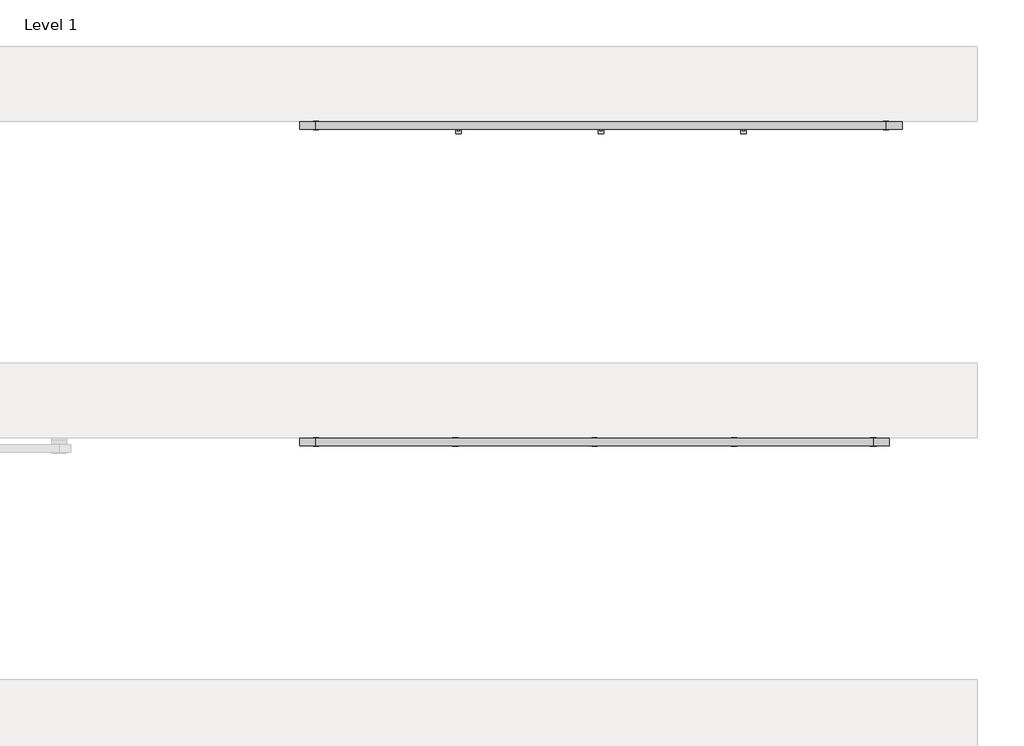
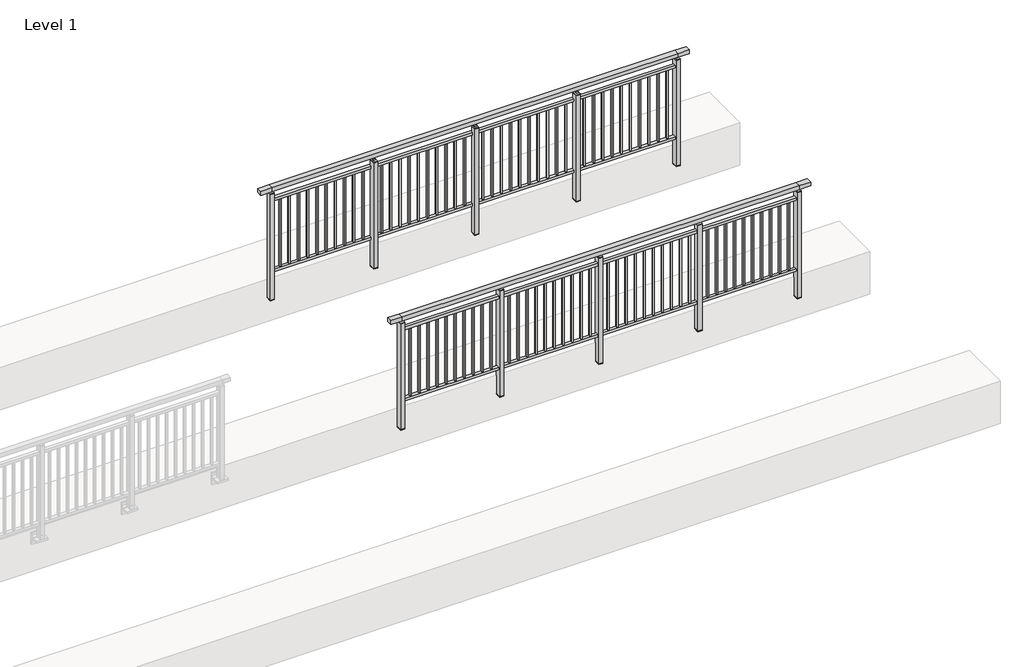
# One storey, part 10 of 37: 2 railings.
"""IFC4 building model written with IfcOpenShell, lengths in millimetres."""

from ifc_helpers import new_model, si_unit, frame, origin, place, context, project, spatial, polyline, outline, extrude, faceted_brep, element, save

model = new_model("IFC4")

# Units and contexts
model_context = context("Model", 3, world=origin())
ifc_project = project(units=[si_unit("LENGTHUNIT", "METRE", prefix="MILLI")], contexts=[model_context])

# Site, building, storey
site = spatial("IfcSite", under=ifc_project)
building = spatial("IfcBuilding", under=site)
storey = spatial("IfcBuildingStorey", under=building, Name="Level 1", Elevation=0.0)

# Railings
placement = place(None, origin())
element("IfcRailing", 1, at=placement, inside=storey, context=model_context, shape_type="SolidModel", body=[
    faceted_brep([(18027.0, 2397.6846828, 1055.0), (18027.0, 2397.6846828, 1100.0), (22427.0, 2397.6846828, 1100.0), (22427.0, 2397.6846828, 1055.0), (18027.0, 2337.6846828, 1055.0), (22427.0, 2337.6846828, 1055.0), (18027.0, 2337.6846828, 1100.0), (22427.0, 2337.6846828, 1100.0), (17899.5, 2397.6846828, 1100.0), (17899.5, 2397.6846828, 1055.0), (17899.5, 2337.6846828, 1055.0), (17899.5, 2337.6846828, 1100.0), (22554.5, 2397.6846828, 1100.0), (22554.5, 2337.6846828, 1100.0), (22554.5, 2337.6846828, 1055.0), (22554.5, 2397.6846828, 1055.0)], [[[0, 1, 2, 3]], [[4, 0, 3, 5]], [[6, 4, 5, 7]], [[1, 6, 7, 2]], [[8, 9, 10, 11]], [[9, 8, 1, 0]], [[10, 9, 0, 4]], [[11, 10, 4, 6]], [[8, 11, 6, 1]], [[12, 13, 14, 15]], [[3, 2, 12, 15]], [[5, 3, 15, 14]], [[7, 5, 14, 13]], [[2, 7, 13, 12]]]),
    extrude(outline(polyline([(18027.0, 2350.1846828), (18027.0, 2385.1846828), (22427.0, 2385.1846828), (22427.0, 2350.1846828), (18027.0, 2350.1846828)])), frame((0.0, 0.0, 930.0), z_axis=(0.0, 0.0, 1.0), x_axis=(1.0, 0.0, 0.0)), (0.0, 0.0, 1.0), 30.0),
    extrude(outline(polyline([(18027.0, 2350.1846828), (18027.0, 2385.1846828), (22427.0, 2385.1846828), (22427.0, 2350.1846828), (18027.0, 2350.1846828)])), frame((0.0, 0.0, 95.0), z_axis=(0.0, 0.0, 1.0), x_axis=(1.0, 0.0, 0.0)), (0.0, 0.0, 1.0), 30.0),
    extrude(outline(polyline([(22335.5, 2359.1846828), (22318.5, 2359.1846828), (22318.5, 2376.1846828), (22335.5, 2376.1846828), (22335.5, 2359.1846828)])), frame((0.0, 0.0, 125.0), z_axis=(0.0, 0.0, 1.0), x_axis=(1.0, 0.0, 0.0)), (0.0, 0.0, 1.0), 805.0),
    extrude(outline(polyline([(22235.5, 2359.1846828), (22218.5, 2359.1846828), (22218.5, 2376.1846828), (22235.5, 2376.1846828), (22235.5, 2359.1846828)])), frame((0.0, 0.0, 125.0), z_axis=(0.0, 0.0, 1.0), x_axis=(1.0, 0.0, 0.0)), (0.0, 0.0, 1.0), 805.0),
    extrude(outline(polyline([(22135.5, 2359.1846828), (22118.5, 2359.1846828), (22118.5, 2376.1846828), (22135.5, 2376.1846828), (22135.5, 2359.1846828)])), frame((0.0, 0.0, 125.0), z_axis=(0.0, 0.0, 1.0), x_axis=(1.0, 0.0, 0.0)), (0.0, 0.0, 1.0), 805.0),
    extrude(outline(polyline([(22035.5, 2359.1846828), (22018.5, 2359.1846828), (22018.5, 2376.1846828), (22035.5, 2376.1846828), (22035.5, 2359.1846828)])), frame((0.0, 0.0, 125.0), z_axis=(0.0, 0.0, 1.0), x_axis=(1.0, 0.0, 0.0)), (0.0, 0.0, 1.0), 805.0),
    extrude(outline(polyline([(21935.5, 2359.1846828), (21918.5, 2359.1846828), (21918.5, 2376.1846828), (21935.5, 2376.1846828), (21935.5, 2359.1846828)])), frame((0.0, 0.0, 125.0), z_axis=(0.0, 0.0, 1.0), x_axis=(1.0, 0.0, 0.0)), (0.0, 0.0, 1.0), 805.0),
    extrude(outline(polyline([(21835.5, 2359.1846828), (21818.5, 2359.1846828), (21818.5, 2376.1846828), (21835.5, 2376.1846828), (21835.5, 2359.1846828)])), frame((0.0, 0.0, 125.0), z_axis=(0.0, 0.0, 1.0), x_axis=(1.0, 0.0, 0.0)), (0.0, 0.0, 1.0), 805.0),
    extrude(outline(polyline([(21735.5, 2359.1846828), (21718.5, 2359.1846828), (21718.5, 2376.1846828), (21735.5, 2376.1846828), (21735.5, 2359.1846828)])), frame((0.0, 0.0, 125.0), z_axis=(0.0, 0.0, 1.0), x_axis=(1.0, 0.0, 0.0)), (0.0, 0.0, 1.0), 805.0),
    extrude(outline(polyline([(21635.5, 2359.1846828), (21618.5, 2359.1846828), (21618.5, 2376.1846828), (21635.5, 2376.1846828), (21635.5, 2359.1846828)])), frame((0.0, 0.0, 125.0), z_axis=(0.0, 0.0, 1.0), x_axis=(1.0, 0.0, 0.0)), (0.0, 0.0, 1.0), 805.0),
    extrude(outline(polyline([(21535.5, 2359.1846828), (21518.5, 2359.1846828), (21518.5, 2376.1846828), (21535.5, 2376.1846828), (21535.5, 2359.1846828)])), frame((0.0, 0.0, 125.0), z_axis=(0.0, 0.0, 1.0), x_axis=(1.0, 0.0, 0.0)), (0.0, 0.0, 1.0), 805.0),
    extrude(outline(polyline([(21435.5, 2359.1846828), (21418.5, 2359.1846828), (21418.5, 2376.1846828), (21435.5, 2376.1846828), (21435.5, 2359.1846828)])), frame((0.0, 0.0, 125.0), z_axis=(0.0, 0.0, 1.0), x_axis=(1.0, 0.0, 0.0)), (0.0, 0.0, 1.0), 805.0),
    extrude(outline(polyline([(21349.5, 2400.1846828), (21349.5, 2335.1846828), (21304.5, 2335.1846828), (21304.5, 2400.1846828), (21349.5, 2400.1846828)])), frame((0.0, 0.0, 1027.0), z_axis=(0.0, 0.0, 1.0), x_axis=(1.0, 0.0, 0.0)), (0.0, 0.0, 1.0), 8.0),
    extrude(outline(polyline([(21349.5, 2400.1846828), (21349.5, 2335.1846828), (21304.5, 2335.1846828), (21304.5, 2400.1846828), (21349.5, 2400.1846828)])), frame((0.0, 0.0, -212.0), z_axis=(0.0, 0.0, 1.0), x_axis=(1.0, 0.0, 0.0)), (0.0, 0.0, 1.0), 1239.0),
    extrude(outline(polyline([(21337.0, 2377.6846828), (21337.0, 2357.6846828), (21317.0, 2357.6846828), (21317.0, 2377.6846828), (21337.0, 2377.6846828)])), frame((0.0, 0.0, 1035.0), z_axis=(0.0, 0.0, 1.0), x_axis=(1.0, 0.0, 0.0)), (0.0, 0.0, 1.0), 20.0),
    extrude(outline(polyline([(21349.5, 2400.1846828), (21349.5, 2335.1846828), (21304.5, 2335.1846828), (21304.5, 2400.1846828), (21349.5, 2400.1846828)])), frame((0.0, 0.0, -220.0), z_axis=(0.0, 0.0, 1.0), x_axis=(1.0, 0.0, 0.0)), (0.0, 0.0, 1.0), 8.0),
    extrude(outline(polyline([(21235.5, 2359.1846828), (21218.5, 2359.1846828), (21218.5, 2376.1846828), (21235.5, 2376.1846828), (21235.5, 2359.1846828)])), frame((0.0, 0.0, 125.0), z_axis=(0.0, 0.0, 1.0), x_axis=(1.0, 0.0, 0.0)), (0.0, 0.0, 1.0), 805.0),
    extrude(outline(polyline([(21135.5, 2359.1846828), (21118.5, 2359.1846828), (21118.5, 2376.1846828), (21135.5, 2376.1846828), (21135.5, 2359.1846828)])), frame((0.0, 0.0, 125.0), z_axis=(0.0, 0.0, 1.0), x_axis=(1.0, 0.0, 0.0)), (0.0, 0.0, 1.0), 805.0),
    extrude(outline(polyline([(21035.5, 2359.1846828), (21018.5, 2359.1846828), (21018.5, 2376.1846828), (21035.5, 2376.1846828), (21035.5, 2359.1846828)])), frame((0.0, 0.0, 125.0), z_axis=(0.0, 0.0, 1.0), x_axis=(1.0, 0.0, 0.0)), (0.0, 0.0, 1.0), 805.0),
    extrude(outline(polyline([(20935.5, 2359.1846828), (20918.5, 2359.1846828), (20918.5, 2376.1846828), (20935.5, 2376.1846828), (20935.5, 2359.1846828)])), frame((0.0, 0.0, 125.0), z_axis=(0.0, 0.0, 1.0), x_axis=(1.0, 0.0, 0.0)), (0.0, 0.0, 1.0), 805.0),
    extrude(outline(polyline([(20835.5, 2359.1846828), (20818.5, 2359.1846828), (20818.5, 2376.1846828), (20835.5, 2376.1846828), (20835.5, 2359.1846828)])), frame((0.0, 0.0, 125.0), z_axis=(0.0, 0.0, 1.0), x_axis=(1.0, 0.0, 0.0)), (0.0, 0.0, 1.0), 805.0),
    extrude(outline(polyline([(20735.5, 2359.1846828), (20718.5, 2359.1846828), (20718.5, 2376.1846828), (20735.5, 2376.1846828), (20735.5, 2359.1846828)])), frame((0.0, 0.0, 125.0), z_axis=(0.0, 0.0, 1.0), x_axis=(1.0, 0.0, 0.0)), (0.0, 0.0, 1.0), 805.0),
    extrude(outline(polyline([(20635.5, 2359.1846828), (20618.5, 2359.1846828), (20618.5, 2376.1846828), (20635.5, 2376.1846828), (20635.5, 2359.1846828)])), frame((0.0, 0.0, 125.0), z_axis=(0.0, 0.0, 1.0), x_axis=(1.0, 0.0, 0.0)), (0.0, 0.0, 1.0), 805.0),
    extrude(outline(polyline([(20535.5, 2359.1846828), (20518.5, 2359.1846828), (20518.5, 2376.1846828), (20535.5, 2376.1846828), (20535.5, 2359.1846828)])), frame((0.0, 0.0, 125.0), z_axis=(0.0, 0.0, 1.0), x_axis=(1.0, 0.0, 0.0)), (0.0, 0.0, 1.0), 805.0),
    extrude(outline(polyline([(20435.5, 2359.1846828), (20418.5, 2359.1846828), (20418.5, 2376.1846828), (20435.5, 2376.1846828), (20435.5, 2359.1846828)])), frame((0.0, 0.0, 125.0), z_axis=(0.0, 0.0, 1.0), x_axis=(1.0, 0.0, 0.0)), (0.0, 0.0, 1.0), 805.0),
    extrude(outline(polyline([(20335.5, 2359.1846828), (20318.5, 2359.1846828), (20318.5, 2376.1846828), (20335.5, 2376.1846828), (20335.5, 2359.1846828)])), frame((0.0, 0.0, 125.0), z_axis=(0.0, 0.0, 1.0), x_axis=(1.0, 0.0, 0.0)), (0.0, 0.0, 1.0), 805.0),
    extrude(outline(polyline([(20249.5, 2400.1846828), (20249.5, 2335.1846828), (20204.5, 2335.1846828), (20204.5, 2400.1846828), (20249.5, 2400.1846828)])), frame((0.0, 0.0, 1027.0), z_axis=(0.0, 0.0, 1.0), x_axis=(1.0, 0.0, 0.0)), (0.0, 0.0, 1.0), 8.0),
    extrude(outline(polyline([(20249.5, 2400.1846828), (20249.5, 2335.1846828), (20204.5, 2335.1846828), (20204.5, 2400.1846828), (20249.5, 2400.1846828)])), frame((0.0, 0.0, -212.0), z_axis=(0.0, 0.0, 1.0), x_axis=(1.0, 0.0, 0.0)), (0.0, 0.0, 1.0), 1239.0),
    extrude(outline(polyline([(20237.0, 2377.6846828), (20237.0, 2357.6846828), (20217.0, 2357.6846828), (20217.0, 2377.6846828), (20237.0, 2377.6846828)])), frame((0.0, 0.0, 1035.0), z_axis=(0.0, 0.0, 1.0), x_axis=(1.0, 0.0, 0.0)), (0.0, 0.0, 1.0), 20.0),
    extrude(outline(polyline([(20249.5, 2400.1846828), (20249.5, 2335.1846828), (20204.5, 2335.1846828), (20204.5, 2400.1846828), (20249.5, 2400.1846828)])), frame((0.0, 0.0, -220.0), z_axis=(0.0, 0.0, 1.0), x_axis=(1.0, 0.0, 0.0)), (0.0, 0.0, 1.0), 8.0),
    extrude(outline(polyline([(20135.5, 2359.1846828), (20118.5, 2359.1846828), (20118.5, 2376.1846828), (20135.5, 2376.1846828), (20135.5, 2359.1846828)])), frame((0.0, 0.0, 125.0), z_axis=(0.0, 0.0, 1.0), x_axis=(1.0, 0.0, 0.0)), (0.0, 0.0, 1.0), 805.0),
    extrude(outline(polyline([(20035.5, 2359.1846828), (20018.5, 2359.1846828), (20018.5, 2376.1846828), (20035.5, 2376.1846828), (20035.5, 2359.1846828)])), frame((0.0, 0.0, 125.0), z_axis=(0.0, 0.0, 1.0), x_axis=(1.0, 0.0, 0.0)), (0.0, 0.0, 1.0), 805.0),
    extrude(outline(polyline([(19935.5, 2359.1846828), (19918.5, 2359.1846828), (19918.5, 2376.1846828), (19935.5, 2376.1846828), (19935.5, 2359.1846828)])), frame((0.0, 0.0, 125.0), z_axis=(0.0, 0.0, 1.0), x_axis=(1.0, 0.0, 0.0)), (0.0, 0.0, 1.0), 805.0),
    extrude(outline(polyline([(19835.5, 2359.1846828), (19818.5, 2359.1846828), (19818.5, 2376.1846828), (19835.5, 2376.1846828), (19835.5, 2359.1846828)])), frame((0.0, 0.0, 125.0), z_axis=(0.0, 0.0, 1.0), x_axis=(1.0, 0.0, 0.0)), (0.0, 0.0, 1.0), 805.0),
    extrude(outline(polyline([(19735.5, 2359.1846828), (19718.5, 2359.1846828), (19718.5, 2376.1846828), (19735.5, 2376.1846828), (19735.5, 2359.1846828)])), frame((0.0, 0.0, 125.0), z_axis=(0.0, 0.0, 1.0), x_axis=(1.0, 0.0, 0.0)), (0.0, 0.0, 1.0), 805.0),
    extrude(outline(polyline([(19635.5, 2359.1846828), (19618.5, 2359.1846828), (19618.5, 2376.1846828), (19635.5, 2376.1846828), (19635.5, 2359.1846828)])), frame((0.0, 0.0, 125.0), z_axis=(0.0, 0.0, 1.0), x_axis=(1.0, 0.0, 0.0)), (0.0, 0.0, 1.0), 805.0),
    extrude(outline(polyline([(19535.5, 2359.1846828), (19518.5, 2359.1846828), (19518.5, 2376.1846828), (19535.5, 2376.1846828), (19535.5, 2359.1846828)])), frame((0.0, 0.0, 125.0), z_axis=(0.0, 0.0, 1.0), x_axis=(1.0, 0.0, 0.0)), (0.0, 0.0, 1.0), 805.0),
    extrude(outline(polyline([(19435.5, 2359.1846828), (19418.5, 2359.1846828), (19418.5, 2376.1846828), (19435.5, 2376.1846828), (19435.5, 2359.1846828)])), frame((0.0, 0.0, 125.0), z_axis=(0.0, 0.0, 1.0), x_axis=(1.0, 0.0, 0.0)), (0.0, 0.0, 1.0), 805.0),
    extrude(outline(polyline([(19335.5, 2359.1846828), (19318.5, 2359.1846828), (19318.5, 2376.1846828), (19335.5, 2376.1846828), (19335.5, 2359.1846828)])), frame((0.0, 0.0, 125.0), z_axis=(0.0, 0.0, 1.0), x_axis=(1.0, 0.0, 0.0)), (0.0, 0.0, 1.0), 805.0),
    extrude(outline(polyline([(19235.5, 2359.1846828), (19218.5, 2359.1846828), (19218.5, 2376.1846828), (19235.5, 2376.1846828), (19235.5, 2359.1846828)])), frame((0.0, 0.0, 125.0), z_axis=(0.0, 0.0, 1.0), x_axis=(1.0, 0.0, 0.0)), (0.0, 0.0, 1.0), 805.0),
    extrude(outline(polyline([(19149.5, 2400.1846828), (19149.5, 2335.1846828), (19104.5, 2335.1846828), (19104.5, 2400.1846828), (19149.5, 2400.1846828)])), frame((0.0, 0.0, 1027.0), z_axis=(0.0, 0.0, 1.0), x_axis=(1.0, 0.0, 0.0)), (0.0, 0.0, 1.0), 8.0),
    extrude(outline(polyline([(19149.5, 2400.1846828), (19149.5, 2335.1846828), (19104.5, 2335.1846828), (19104.5, 2400.1846828), (19149.5, 2400.1846828)])), frame((0.0, 0.0, -212.0), z_axis=(0.0, 0.0, 1.0), x_axis=(1.0, 0.0, 0.0)), (0.0, 0.0, 1.0), 1239.0),
    extrude(outline(polyline([(19137.0, 2377.6846828), (19137.0, 2357.6846828), (19117.0, 2357.6846828), (19117.0, 2377.6846828), (19137.0, 2377.6846828)])), frame((0.0, 0.0, 1035.0), z_axis=(0.0, 0.0, 1.0), x_axis=(1.0, 0.0, 0.0)), (0.0, 0.0, 1.0), 20.0),
    extrude(outline(polyline([(19149.5, 2400.1846828), (19149.5, 2335.1846828), (19104.5, 2335.1846828), (19104.5, 2400.1846828), (19149.5, 2400.1846828)])), frame((0.0, 0.0, -220.0), z_axis=(0.0, 0.0, 1.0), x_axis=(1.0, 0.0, 0.0)), (0.0, 0.0, 1.0), 8.0),
    extrude(outline(polyline([(19035.5, 2359.1846828), (19018.5, 2359.1846828), (19018.5, 2376.1846828), (19035.5, 2376.1846828), (19035.5, 2359.1846828)])), frame((0.0, 0.0, 125.0), z_axis=(0.0, 0.0, 1.0), x_axis=(1.0, 0.0, 0.0)), (0.0, 0.0, 1.0), 805.0),
    extrude(outline(polyline([(18935.5, 2359.1846828), (18918.5, 2359.1846828), (18918.5, 2376.1846828), (18935.5, 2376.1846828), (18935.5, 2359.1846828)])), frame((0.0, 0.0, 125.0), z_axis=(0.0, 0.0, 1.0), x_axis=(1.0, 0.0, 0.0)), (0.0, 0.0, 1.0), 805.0),
    extrude(outline(polyline([(18835.5, 2359.1846828), (18818.5, 2359.1846828), (18818.5, 2376.1846828), (18835.5, 2376.1846828), (18835.5, 2359.1846828)])), frame((0.0, 0.0, 125.0), z_axis=(0.0, 0.0, 1.0), x_axis=(1.0, 0.0, 0.0)), (0.0, 0.0, 1.0), 805.0),
    extrude(outline(polyline([(18735.5, 2359.1846828), (18718.5, 2359.1846828), (18718.5, 2376.1846828), (18735.5, 2376.1846828), (18735.5, 2359.1846828)])), frame((0.0, 0.0, 125.0), z_axis=(0.0, 0.0, 1.0), x_axis=(1.0, 0.0, 0.0)), (0.0, 0.0, 1.0), 805.0),
    extrude(outline(polyline([(18635.5, 2359.1846828), (18618.5, 2359.1846828), (18618.5, 2376.1846828), (18635.5, 2376.1846828), (18635.5, 2359.1846828)])), frame((0.0, 0.0, 125.0), z_axis=(0.0, 0.0, 1.0), x_axis=(1.0, 0.0, 0.0)), (0.0, 0.0, 1.0), 805.0),
    extrude(outline(polyline([(18535.5, 2359.1846828), (18518.5, 2359.1846828), (18518.5, 2376.1846828), (18535.5, 2376.1846828), (18535.5, 2359.1846828)])), frame((0.0, 0.0, 125.0), z_axis=(0.0, 0.0, 1.0), x_axis=(1.0, 0.0, 0.0)), (0.0, 0.0, 1.0), 805.0),
    extrude(outline(polyline([(18435.5, 2359.1846828), (18418.5, 2359.1846828), (18418.5, 2376.1846828), (18435.5, 2376.1846828), (18435.5, 2359.1846828)])), frame((0.0, 0.0, 125.0), z_axis=(0.0, 0.0, 1.0), x_axis=(1.0, 0.0, 0.0)), (0.0, 0.0, 1.0), 805.0),
    extrude(outline(polyline([(18335.5, 2359.1846828), (18318.5, 2359.1846828), (18318.5, 2376.1846828), (18335.5, 2376.1846828), (18335.5, 2359.1846828)])), frame((0.0, 0.0, 125.0), z_axis=(0.0, 0.0, 1.0), x_axis=(1.0, 0.0, 0.0)), (0.0, 0.0, 1.0), 805.0),
    extrude(outline(polyline([(18235.5, 2359.1846828), (18218.5, 2359.1846828), (18218.5, 2376.1846828), (18235.5, 2376.1846828), (18235.5, 2359.1846828)])), frame((0.0, 0.0, 125.0), z_axis=(0.0, 0.0, 1.0), x_axis=(1.0, 0.0, 0.0)), (0.0, 0.0, 1.0), 805.0),
    extrude(outline(polyline([(18135.5, 2359.1846828), (18118.5, 2359.1846828), (18118.5, 2376.1846828), (18135.5, 2376.1846828), (18135.5, 2359.1846828)])), frame((0.0, 0.0, 125.0), z_axis=(0.0, 0.0, 1.0), x_axis=(1.0, 0.0, 0.0)), (0.0, 0.0, 1.0), 805.0),
    extrude(outline(polyline([(22449.5, 2400.1846828), (22449.5, 2335.1846828), (22404.5, 2335.1846828), (22404.5, 2400.1846828), (22449.5, 2400.1846828)])), frame((0.0, 0.0, 1027.0), z_axis=(0.0, 0.0, 1.0), x_axis=(1.0, 0.0, 0.0)), (0.0, 0.0, 1.0), 8.0),
    extrude(outline(polyline([(22449.5, 2400.1846828), (22449.5, 2335.1846828), (22404.5, 2335.1846828), (22404.5, 2400.1846828), (22449.5, 2400.1846828)])), frame((0.0, 0.0, -212.0), z_axis=(0.0, 0.0, 1.0), x_axis=(1.0, 0.0, 0.0)), (0.0, 0.0, 1.0), 1239.0),
    extrude(outline(polyline([(22437.0, 2377.6846828), (22437.0, 2357.6846828), (22417.0, 2357.6846828), (22417.0, 2377.6846828), (22437.0, 2377.6846828)])), frame((0.0, 0.0, 1035.0), z_axis=(0.0, 0.0, 1.0), x_axis=(1.0, 0.0, 0.0)), (0.0, 0.0, 1.0), 20.0),
    extrude(outline(polyline([(22449.5, 2400.1846828), (22449.5, 2335.1846828), (22404.5, 2335.1846828), (22404.5, 2400.1846828), (22449.5, 2400.1846828)])), frame((0.0, 0.0, -220.0), z_axis=(0.0, 0.0, 1.0), x_axis=(1.0, 0.0, 0.0)), (0.0, 0.0, 1.0), 8.0),
    extrude(outline(polyline([(18049.5, 2400.1846828), (18049.5, 2335.1846828), (18004.5, 2335.1846828), (18004.5, 2400.1846828), (18049.5, 2400.1846828)])), frame((0.0, 0.0, 1027.0), z_axis=(0.0, 0.0, 1.0), x_axis=(1.0, 0.0, 0.0)), (0.0, 0.0, 1.0), 8.0),
    extrude(outline(polyline([(18049.5, 2400.1846828), (18049.5, 2335.1846828), (18004.5, 2335.1846828), (18004.5, 2400.1846828), (18049.5, 2400.1846828)])), frame((0.0, 0.0, -212.0), z_axis=(0.0, 0.0, 1.0), x_axis=(1.0, 0.0, 0.0)), (0.0, 0.0, 1.0), 1239.0),
    extrude(outline(polyline([(18037.0, 2377.6846828), (18037.0, 2357.6846828), (18017.0, 2357.6846828), (18017.0, 2377.6846828), (18037.0, 2377.6846828)])), frame((0.0, 0.0, 1035.0), z_axis=(0.0, 0.0, 1.0), x_axis=(1.0, 0.0, 0.0)), (0.0, 0.0, 1.0), 20.0),
    extrude(outline(polyline([(18049.5, 2400.1846828), (18049.5, 2335.1846828), (18004.5, 2335.1846828), (18004.5, 2400.1846828), (18049.5, 2400.1846828)])), frame((0.0, 0.0, -220.0), z_axis=(0.0, 0.0, 1.0), x_axis=(1.0, 0.0, 0.0)), (0.0, 0.0, 1.0), 8.0),
])
element("IfcRailing", 2, at=placement, inside=storey, context=model_context, shape_type="SolidModel", body=[
    faceted_brep([(18027.0, 4897.6846828, 1055.0), (18027.0, 4897.6846828, 1100.0), (22527.0, 4897.6846828, 1100.0), (22527.0, 4897.6846828, 1055.0), (18027.0, 4837.6846828, 1055.0), (22527.0, 4837.6846828, 1055.0), (18027.0, 4837.6846828, 1100.0), (22527.0, 4837.6846828, 1100.0), (17899.5, 4897.6846828, 1100.0), (17899.5, 4897.6846828, 1055.0), (17899.5, 4837.6846828, 1055.0), (17899.5, 4837.6846828, 1100.0), (22654.5, 4897.6846828, 1100.0), (22654.5, 4837.6846828, 1100.0), (22654.5, 4837.6846828, 1055.0), (22654.5, 4897.6846828, 1055.0)], [[[0, 1, 2, 3]], [[4, 0, 3, 5]], [[6, 4, 5, 7]], [[1, 6, 7, 2]], [[8, 9, 10, 11]], [[9, 8, 1, 0]], [[10, 9, 0, 4]], [[11, 10, 4, 6]], [[8, 11, 6, 1]], [[12, 13, 14, 15]], [[3, 2, 12, 15]], [[5, 3, 15, 14]], [[7, 5, 14, 13]], [[2, 7, 13, 12]]]),
    extrude(outline(polyline([(18027.0, 4850.1846828), (18027.0, 4885.1846828), (22527.0, 4885.1846828), (22527.0, 4850.1846828), (18027.0, 4850.1846828)])), frame((0.0, 0.0, 930.0), z_axis=(0.0, 0.0, 1.0), x_axis=(1.0, 0.0, 0.0)), (0.0, 0.0, 1.0), 30.0),
    extrude(outline(polyline([(18027.0, 4850.1846828), (18027.0, 4885.1846828), (22527.0, 4885.1846828), (22527.0, 4850.1846828), (18027.0, 4850.1846828)])), frame((0.0, 0.0, 95.0), z_axis=(0.0, 0.0, 1.0), x_axis=(1.0, 0.0, 0.0)), (0.0, 0.0, 1.0), 30.0),
    extrude(outline(polyline([(22433.2272727, 4859.1846828), (22416.2272727, 4859.1846828), (22416.2272727, 4876.1846828), (22433.2272727, 4876.1846828), (22433.2272727, 4859.1846828)])), frame((0.0, 0.0, 125.0), z_axis=(0.0, 0.0, 1.0), x_axis=(1.0, 0.0, 0.0)), (0.0, 0.0, 1.0), 805.0),
    extrude(outline(polyline([(22330.9545455, 4859.1846828), (22313.9545455, 4859.1846828), (22313.9545455, 4876.1846828), (22330.9545455, 4876.1846828), (22330.9545455, 4859.1846828)])), frame((0.0, 0.0, 125.0), z_axis=(0.0, 0.0, 1.0), x_axis=(1.0, 0.0, 0.0)), (0.0, 0.0, 1.0), 805.0),
    extrude(outline(polyline([(22228.6818182, 4859.1846828), (22211.6818182, 4859.1846828), (22211.6818182, 4876.1846828), (22228.6818182, 4876.1846828), (22228.6818182, 4859.1846828)])), frame((0.0, 0.0, 125.0), z_axis=(0.0, 0.0, 1.0), x_axis=(1.0, 0.0, 0.0)), (0.0, 0.0, 1.0), 805.0),
    extrude(outline(polyline([(22126.4090909, 4859.1846828), (22109.4090909, 4859.1846828), (22109.4090909, 4876.1846828), (22126.4090909, 4876.1846828), (22126.4090909, 4859.1846828)])), frame((0.0, 0.0, 125.0), z_axis=(0.0, 0.0, 1.0), x_axis=(1.0, 0.0, 0.0)), (0.0, 0.0, 1.0), 805.0),
    extrude(outline(polyline([(22024.1363636, 4859.1846828), (22007.1363636, 4859.1846828), (22007.1363636, 4876.1846828), (22024.1363636, 4876.1846828), (22024.1363636, 4859.1846828)])), frame((0.0, 0.0, 125.0), z_axis=(0.0, 0.0, 1.0), x_axis=(1.0, 0.0, 0.0)), (0.0, 0.0, 1.0), 805.0),
    extrude(outline(polyline([(21921.8636364, 4859.1846828), (21904.8636364, 4859.1846828), (21904.8636364, 4876.1846828), (21921.8636364, 4876.1846828), (21921.8636364, 4859.1846828)])), frame((0.0, 0.0, 125.0), z_axis=(0.0, 0.0, 1.0), x_axis=(1.0, 0.0, 0.0)), (0.0, 0.0, 1.0), 805.0),
    extrude(outline(polyline([(21819.5909091, 4859.1846828), (21802.5909091, 4859.1846828), (21802.5909091, 4876.1846828), (21819.5909091, 4876.1846828), (21819.5909091, 4859.1846828)])), frame((0.0, 0.0, 125.0), z_axis=(0.0, 0.0, 1.0), x_axis=(1.0, 0.0, 0.0)), (0.0, 0.0, 1.0), 805.0),
    extrude(outline(polyline([(21717.3181818, 4859.1846828), (21700.3181818, 4859.1846828), (21700.3181818, 4876.1846828), (21717.3181818, 4876.1846828), (21717.3181818, 4859.1846828)])), frame((0.0, 0.0, 125.0), z_axis=(0.0, 0.0, 1.0), x_axis=(1.0, 0.0, 0.0)), (0.0, 0.0, 1.0), 805.0),
    extrude(outline(polyline([(21615.0454545, 4859.1846828), (21598.0454545, 4859.1846828), (21598.0454545, 4876.1846828), (21615.0454545, 4876.1846828), (21615.0454545, 4859.1846828)])), frame((0.0, 0.0, 125.0), z_axis=(0.0, 0.0, 1.0), x_axis=(1.0, 0.0, 0.0)), (0.0, 0.0, 1.0), 805.0),
    extrude(outline(polyline([(21512.7727273, 4859.1846828), (21495.7727273, 4859.1846828), (21495.7727273, 4876.1846828), (21512.7727273, 4876.1846828), (21512.7727273, 4859.1846828)])), frame((0.0, 0.0, 125.0), z_axis=(0.0, 0.0, 1.0), x_axis=(1.0, 0.0, 0.0)), (0.0, 0.0, 1.0), 805.0),
    extrude(outline(polyline([(21424.5, 4867.1846828), (21424.5, 4802.1846828), (21379.5, 4802.1846828), (21379.5, 4867.1846828), (21424.5, 4867.1846828)])), frame((0.0, 0.0, 1027.0), z_axis=(0.0, 0.0, 1.0), x_axis=(1.0, 0.0, 0.0)), (0.0, 0.0, 1.0), 8.0),
    extrude(outline(polyline([(21424.5, 4867.1846828), (21424.5, 4802.1846828), (21379.5, 4802.1846828), (21379.5, 4867.1846828), (21424.5, 4867.1846828)])), frame((0.0, 0.0, -212.0), z_axis=(0.0, 0.0, 1.0), x_axis=(1.0, 0.0, 0.0)), (0.0, 0.0, 1.0), 1239.0),
    extrude(outline(polyline([(21412.0, 4844.6846828), (21412.0, 4824.6846828), (21392.0, 4824.6846828), (21392.0, 4844.6846828), (21412.0, 4844.6846828)])), frame((0.0, 0.0, 1035.0), z_axis=(0.0, 0.0, 1.0), x_axis=(1.0, 0.0, 0.0)), (0.0, 0.0, 1.0), 20.0),
    extrude(outline(polyline([(21424.5, 4867.1846828), (21424.5, 4802.1846828), (21379.5, 4802.1846828), (21379.5, 4867.1846828), (21424.5, 4867.1846828)])), frame((0.0, 0.0, -220.0), z_axis=(0.0, 0.0, 1.0), x_axis=(1.0, 0.0, 0.0)), (0.0, 0.0, 1.0), 8.0),
    extrude(outline(polyline([(21308.2272727, 4859.1846828), (21291.2272727, 4859.1846828), (21291.2272727, 4876.1846828), (21308.2272727, 4876.1846828), (21308.2272727, 4859.1846828)])), frame((0.0, 0.0, 125.0), z_axis=(0.0, 0.0, 1.0), x_axis=(1.0, 0.0, 0.0)), (0.0, 0.0, 1.0), 805.0),
    extrude(outline(polyline([(21205.9545455, 4859.1846828), (21188.9545455, 4859.1846828), (21188.9545455, 4876.1846828), (21205.9545455, 4876.1846828), (21205.9545455, 4859.1846828)])), frame((0.0, 0.0, 125.0), z_axis=(0.0, 0.0, 1.0), x_axis=(1.0, 0.0, 0.0)), (0.0, 0.0, 1.0), 805.0),
    extrude(outline(polyline([(21103.6818182, 4859.1846828), (21086.6818182, 4859.1846828), (21086.6818182, 4876.1846828), (21103.6818182, 4876.1846828), (21103.6818182, 4859.1846828)])), frame((0.0, 0.0, 125.0), z_axis=(0.0, 0.0, 1.0), x_axis=(1.0, 0.0, 0.0)), (0.0, 0.0, 1.0), 805.0),
    extrude(outline(polyline([(21001.4090909, 4859.1846828), (20984.4090909, 4859.1846828), (20984.4090909, 4876.1846828), (21001.4090909, 4876.1846828), (21001.4090909, 4859.1846828)])), frame((0.0, 0.0, 125.0), z_axis=(0.0, 0.0, 1.0), x_axis=(1.0, 0.0, 0.0)), (0.0, 0.0, 1.0), 805.0),
    extrude(outline(polyline([(20899.1363636, 4859.1846828), (20882.1363636, 4859.1846828), (20882.1363636, 4876.1846828), (20899.1363636, 4876.1846828), (20899.1363636, 4859.1846828)])), frame((0.0, 0.0, 125.0), z_axis=(0.0, 0.0, 1.0), x_axis=(1.0, 0.0, 0.0)), (0.0, 0.0, 1.0), 805.0),
    extrude(outline(polyline([(20796.8636364, 4859.1846828), (20779.8636364, 4859.1846828), (20779.8636364, 4876.1846828), (20796.8636364, 4876.1846828), (20796.8636364, 4859.1846828)])), frame((0.0, 0.0, 125.0), z_axis=(0.0, 0.0, 1.0), x_axis=(1.0, 0.0, 0.0)), (0.0, 0.0, 1.0), 805.0),
    extrude(outline(polyline([(20694.5909091, 4859.1846828), (20677.5909091, 4859.1846828), (20677.5909091, 4876.1846828), (20694.5909091, 4876.1846828), (20694.5909091, 4859.1846828)])), frame((0.0, 0.0, 125.0), z_axis=(0.0, 0.0, 1.0), x_axis=(1.0, 0.0, 0.0)), (0.0, 0.0, 1.0), 805.0),
    extrude(outline(polyline([(20592.3181818, 4859.1846828), (20575.3181818, 4859.1846828), (20575.3181818, 4876.1846828), (20592.3181818, 4876.1846828), (20592.3181818, 4859.1846828)])), frame((0.0, 0.0, 125.0), z_axis=(0.0, 0.0, 1.0), x_axis=(1.0, 0.0, 0.0)), (0.0, 0.0, 1.0), 805.0),
    extrude(outline(polyline([(20490.0454545, 4859.1846828), (20473.0454545, 4859.1846828), (20473.0454545, 4876.1846828), (20490.0454545, 4876.1846828), (20490.0454545, 4859.1846828)])), frame((0.0, 0.0, 125.0), z_axis=(0.0, 0.0, 1.0), x_axis=(1.0, 0.0, 0.0)), (0.0, 0.0, 1.0), 805.0),
    extrude(outline(polyline([(20387.7727273, 4859.1846828), (20370.7727273, 4859.1846828), (20370.7727273, 4876.1846828), (20387.7727273, 4876.1846828), (20387.7727273, 4859.1846828)])), frame((0.0, 0.0, 125.0), z_axis=(0.0, 0.0, 1.0), x_axis=(1.0, 0.0, 0.0)), (0.0, 0.0, 1.0), 805.0),
    extrude(outline(polyline([(20299.5, 4867.1846828), (20299.5, 4802.1846828), (20254.5, 4802.1846828), (20254.5, 4867.1846828), (20299.5, 4867.1846828)])), frame((0.0, 0.0, 1027.0), z_axis=(0.0, 0.0, 1.0), x_axis=(1.0, 0.0, 0.0)), (0.0, 0.0, 1.0), 8.0),
    extrude(outline(polyline([(20299.5, 4867.1846828), (20299.5, 4802.1846828), (20254.5, 4802.1846828), (20254.5, 4867.1846828), (20299.5, 4867.1846828)])), frame((0.0, 0.0, -212.0), z_axis=(0.0, 0.0, 1.0), x_axis=(1.0, 0.0, 0.0)), (0.0, 0.0, 1.0), 1239.0),
    extrude(outline(polyline([(20287.0, 4844.6846828), (20287.0, 4824.6846828), (20267.0, 4824.6846828), (20267.0, 4844.6846828), (20287.0, 4844.6846828)])), frame((0.0, 0.0, 1035.0), z_axis=(0.0, 0.0, 1.0), x_axis=(1.0, 0.0, 0.0)), (0.0, 0.0, 1.0), 20.0),
    extrude(outline(polyline([(20299.5, 4867.1846828), (20299.5, 4802.1846828), (20254.5, 4802.1846828), (20254.5, 4867.1846828), (20299.5, 4867.1846828)])), frame((0.0, 0.0, -220.0), z_axis=(0.0, 0.0, 1.0), x_axis=(1.0, 0.0, 0.0)), (0.0, 0.0, 1.0), 8.0),
    extrude(outline(polyline([(20183.2272727, 4859.1846828), (20166.2272727, 4859.1846828), (20166.2272727, 4876.1846828), (20183.2272727, 4876.1846828), (20183.2272727, 4859.1846828)])), frame((0.0, 0.0, 125.0), z_axis=(0.0, 0.0, 1.0), x_axis=(1.0, 0.0, 0.0)), (0.0, 0.0, 1.0), 805.0),
    extrude(outline(polyline([(20080.9545455, 4859.1846828), (20063.9545455, 4859.1846828), (20063.9545455, 4876.1846828), (20080.9545455, 4876.1846828), (20080.9545455, 4859.1846828)])), frame((0.0, 0.0, 125.0), z_axis=(0.0, 0.0, 1.0), x_axis=(1.0, 0.0, 0.0)), (0.0, 0.0, 1.0), 805.0),
    extrude(outline(polyline([(19978.6818182, 4859.1846828), (19961.6818182, 4859.1846828), (19961.6818182, 4876.1846828), (19978.6818182, 4876.1846828), (19978.6818182, 4859.1846828)])), frame((0.0, 0.0, 125.0), z_axis=(0.0, 0.0, 1.0), x_axis=(1.0, 0.0, 0.0)), (0.0, 0.0, 1.0), 805.0),
    extrude(outline(polyline([(19876.4090909, 4859.1846828), (19859.4090909, 4859.1846828), (19859.4090909, 4876.1846828), (19876.4090909, 4876.1846828), (19876.4090909, 4859.1846828)])), frame((0.0, 0.0, 125.0), z_axis=(0.0, 0.0, 1.0), x_axis=(1.0, 0.0, 0.0)), (0.0, 0.0, 1.0), 805.0),
    extrude(outline(polyline([(19774.1363636, 4859.1846828), (19757.1363636, 4859.1846828), (19757.1363636, 4876.1846828), (19774.1363636, 4876.1846828), (19774.1363636, 4859.1846828)])), frame((0.0, 0.0, 125.0), z_axis=(0.0, 0.0, 1.0), x_axis=(1.0, 0.0, 0.0)), (0.0, 0.0, 1.0), 805.0),
    extrude(outline(polyline([(19671.8636364, 4859.1846828), (19654.8636364, 4859.1846828), (19654.8636364, 4876.1846828), (19671.8636364, 4876.1846828), (19671.8636364, 4859.1846828)])), frame((0.0, 0.0, 125.0), z_axis=(0.0, 0.0, 1.0), x_axis=(1.0, 0.0, 0.0)), (0.0, 0.0, 1.0), 805.0),
    extrude(outline(polyline([(19569.5909091, 4859.1846828), (19552.5909091, 4859.1846828), (19552.5909091, 4876.1846828), (19569.5909091, 4876.1846828), (19569.5909091, 4859.1846828)])), frame((0.0, 0.0, 125.0), z_axis=(0.0, 0.0, 1.0), x_axis=(1.0, 0.0, 0.0)), (0.0, 0.0, 1.0), 805.0),
    extrude(outline(polyline([(19467.3181818, 4859.1846828), (19450.3181818, 4859.1846828), (19450.3181818, 4876.1846828), (19467.3181818, 4876.1846828), (19467.3181818, 4859.1846828)])), frame((0.0, 0.0, 125.0), z_axis=(0.0, 0.0, 1.0), x_axis=(1.0, 0.0, 0.0)), (0.0, 0.0, 1.0), 805.0),
    extrude(outline(polyline([(19365.0454545, 4859.1846828), (19348.0454545, 4859.1846828), (19348.0454545, 4876.1846828), (19365.0454545, 4876.1846828), (19365.0454545, 4859.1846828)])), frame((0.0, 0.0, 125.0), z_axis=(0.0, 0.0, 1.0), x_axis=(1.0, 0.0, 0.0)), (0.0, 0.0, 1.0), 805.0),
    extrude(outline(polyline([(19262.7727273, 4859.1846828), (19245.7727273, 4859.1846828), (19245.7727273, 4876.1846828), (19262.7727273, 4876.1846828), (19262.7727273, 4859.1846828)])), frame((0.0, 0.0, 125.0), z_axis=(0.0, 0.0, 1.0), x_axis=(1.0, 0.0, 0.0)), (0.0, 0.0, 1.0), 805.0),
    extrude(outline(polyline([(19174.5, 4867.1846828), (19174.5, 4802.1846828), (19129.5, 4802.1846828), (19129.5, 4867.1846828), (19174.5, 4867.1846828)])), frame((0.0, 0.0, 1027.0), z_axis=(0.0, 0.0, 1.0), x_axis=(1.0, 0.0, 0.0)), (0.0, 0.0, 1.0), 8.0),
    extrude(outline(polyline([(19174.5, 4867.1846828), (19174.5, 4802.1846828), (19129.5, 4802.1846828), (19129.5, 4867.1846828), (19174.5, 4867.1846828)])), frame((0.0, 0.0, -212.0), z_axis=(0.0, 0.0, 1.0), x_axis=(1.0, 0.0, 0.0)), (0.0, 0.0, 1.0), 1239.0),
    extrude(outline(polyline([(19162.0, 4844.6846828), (19162.0, 4824.6846828), (19142.0, 4824.6846828), (19142.0, 4844.6846828), (19162.0, 4844.6846828)])), frame((0.0, 0.0, 1035.0), z_axis=(0.0, 0.0, 1.0), x_axis=(1.0, 0.0, 0.0)), (0.0, 0.0, 1.0), 20.0),
    extrude(outline(polyline([(19174.5, 4867.1846828), (19174.5, 4802.1846828), (19129.5, 4802.1846828), (19129.5, 4867.1846828), (19174.5, 4867.1846828)])), frame((0.0, 0.0, -220.0), z_axis=(0.0, 0.0, 1.0), x_axis=(1.0, 0.0, 0.0)), (0.0, 0.0, 1.0), 8.0),
    extrude(outline(polyline([(19058.2272727, 4859.1846828), (19041.2272727, 4859.1846828), (19041.2272727, 4876.1846828), (19058.2272727, 4876.1846828), (19058.2272727, 4859.1846828)])), frame((0.0, 0.0, 125.0), z_axis=(0.0, 0.0, 1.0), x_axis=(1.0, 0.0, 0.0)), (0.0, 0.0, 1.0), 805.0),
    extrude(outline(polyline([(18955.9545455, 4859.1846828), (18938.9545455, 4859.1846828), (18938.9545455, 4876.1846828), (18955.9545455, 4876.1846828), (18955.9545455, 4859.1846828)])), frame((0.0, 0.0, 125.0), z_axis=(0.0, 0.0, 1.0), x_axis=(1.0, 0.0, 0.0)), (0.0, 0.0, 1.0), 805.0),
    extrude(outline(polyline([(18853.6818182, 4859.1846828), (18836.6818182, 4859.1846828), (18836.6818182, 4876.1846828), (18853.6818182, 4876.1846828), (18853.6818182, 4859.1846828)])), frame((0.0, 0.0, 125.0), z_axis=(0.0, 0.0, 1.0), x_axis=(1.0, 0.0, 0.0)), (0.0, 0.0, 1.0), 805.0),
    extrude(outline(polyline([(18751.4090909, 4859.1846828), (18734.4090909, 4859.1846828), (18734.4090909, 4876.1846828), (18751.4090909, 4876.1846828), (18751.4090909, 4859.1846828)])), frame((0.0, 0.0, 125.0), z_axis=(0.0, 0.0, 1.0), x_axis=(1.0, 0.0, 0.0)), (0.0, 0.0, 1.0), 805.0),
    extrude(outline(polyline([(18649.1363636, 4859.1846828), (18632.1363636, 4859.1846828), (18632.1363636, 4876.1846828), (18649.1363636, 4876.1846828), (18649.1363636, 4859.1846828)])), frame((0.0, 0.0, 125.0), z_axis=(0.0, 0.0, 1.0), x_axis=(1.0, 0.0, 0.0)), (0.0, 0.0, 1.0), 805.0),
    extrude(outline(polyline([(18546.8636364, 4859.1846828), (18529.8636364, 4859.1846828), (18529.8636364, 4876.1846828), (18546.8636364, 4876.1846828), (18546.8636364, 4859.1846828)])), frame((0.0, 0.0, 125.0), z_axis=(0.0, 0.0, 1.0), x_axis=(1.0, 0.0, 0.0)), (0.0, 0.0, 1.0), 805.0),
    extrude(outline(polyline([(18444.5909091, 4859.1846828), (18427.5909091, 4859.1846828), (18427.5909091, 4876.1846828), (18444.5909091, 4876.1846828), (18444.5909091, 4859.1846828)])), frame((0.0, 0.0, 125.0), z_axis=(0.0, 0.0, 1.0), x_axis=(1.0, 0.0, 0.0)), (0.0, 0.0, 1.0), 805.0),
    extrude(outline(polyline([(18342.3181818, 4859.1846828), (18325.3181818, 4859.1846828), (18325.3181818, 4876.1846828), (18342.3181818, 4876.1846828), (18342.3181818, 4859.1846828)])), frame((0.0, 0.0, 125.0), z_axis=(0.0, 0.0, 1.0), x_axis=(1.0, 0.0, 0.0)), (0.0, 0.0, 1.0), 805.0),
    extrude(outline(polyline([(18240.0454545, 4859.1846828), (18223.0454545, 4859.1846828), (18223.0454545, 4876.1846828), (18240.0454545, 4876.1846828), (18240.0454545, 4859.1846828)])), frame((0.0, 0.0, 125.0), z_axis=(0.0, 0.0, 1.0), x_axis=(1.0, 0.0, 0.0)), (0.0, 0.0, 1.0), 805.0),
    extrude(outline(polyline([(18137.7727273, 4859.1846828), (18120.7727273, 4859.1846828), (18120.7727273, 4876.1846828), (18137.7727273, 4876.1846828), (18137.7727273, 4859.1846828)])), frame((0.0, 0.0, 125.0), z_axis=(0.0, 0.0, 1.0), x_axis=(1.0, 0.0, 0.0)), (0.0, 0.0, 1.0), 805.0),
    extrude(outline(polyline([(22549.5, 4900.1846828), (22549.5, 4835.1846828), (22504.5, 4835.1846828), (22504.5, 4900.1846828), (22549.5, 4900.1846828)])), frame((0.0, 0.0, 1027.0), z_axis=(0.0, 0.0, 1.0), x_axis=(1.0, 0.0, 0.0)), (0.0, 0.0, 1.0), 8.0),
    extrude(outline(polyline([(22549.5, 4900.1846828), (22549.5, 4835.1846828), (22504.5, 4835.1846828), (22504.5, 4900.1846828), (22549.5, 4900.1846828)])), frame((0.0, 0.0, -212.0), z_axis=(0.0, 0.0, 1.0), x_axis=(1.0, 0.0, 0.0)), (0.0, 0.0, 1.0), 1239.0),
    extrude(outline(polyline([(22537.0, 4877.6846828), (22537.0, 4857.6846828), (22517.0, 4857.6846828), (22517.0, 4877.6846828), (22537.0, 4877.6846828)])), frame((0.0, 0.0, 1035.0), z_axis=(0.0, 0.0, 1.0), x_axis=(1.0, 0.0, 0.0)), (0.0, 0.0, 1.0), 20.0),
    extrude(outline(polyline([(22549.5, 4900.1846828), (22549.5, 4835.1846828), (22504.5, 4835.1846828), (22504.5, 4900.1846828), (22549.5, 4900.1846828)])), frame((0.0, 0.0, -220.0), z_axis=(0.0, 0.0, 1.0), x_axis=(1.0, 0.0, 0.0)), (0.0, 0.0, 1.0), 8.0),
    extrude(outline(polyline([(18049.5, 4900.1846828), (18049.5, 4835.1846828), (18004.5, 4835.1846828), (18004.5, 4900.1846828), (18049.5, 4900.1846828)])), frame((0.0, 0.0, 1027.0), z_axis=(0.0, 0.0, 1.0), x_axis=(1.0, 0.0, 0.0)), (0.0, 0.0, 1.0), 8.0),
    extrude(outline(polyline([(18049.5, 4900.1846828), (18049.5, 4835.1846828), (18004.5, 4835.1846828), (18004.5, 4900.1846828), (18049.5, 4900.1846828)])), frame((0.0, 0.0, -212.0), z_axis=(0.0, 0.0, 1.0), x_axis=(1.0, 0.0, 0.0)), (0.0, 0.0, 1.0), 1239.0),
    extrude(outline(polyline([(18037.0, 4877.6846828), (18037.0, 4857.6846828), (18017.0, 4857.6846828), (18017.0, 4877.6846828), (18037.0, 4877.6846828)])), frame((0.0, 0.0, 1035.0), z_axis=(0.0, 0.0, 1.0), x_axis=(1.0, 0.0, 0.0)), (0.0, 0.0, 1.0), 20.0),
    extrude(outline(polyline([(18049.5, 4900.1846828), (18049.5, 4835.1846828), (18004.5, 4835.1846828), (18004.5, 4900.1846828), (18049.5, 4900.1846828)])), frame((0.0, 0.0, -220.0), z_axis=(0.0, 0.0, 1.0), x_axis=(1.0, 0.0, 0.0)), (0.0, 0.0, 1.0), 8.0),
])

save(model, "model.ifc")
